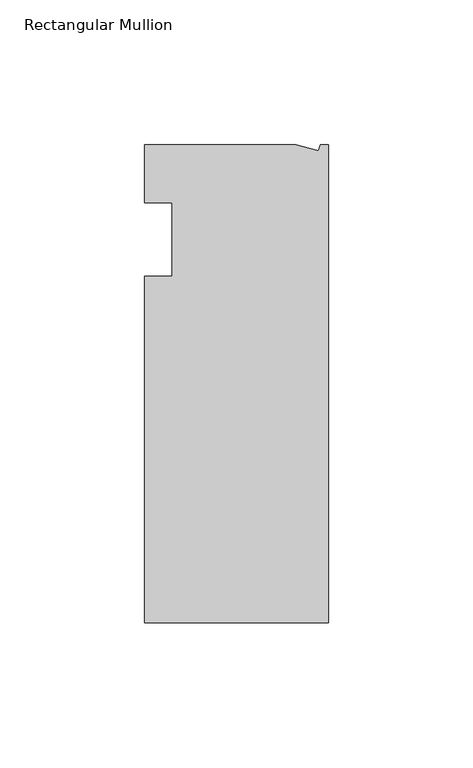
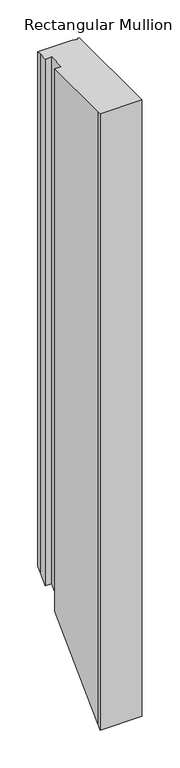
"""IFC4 building model written with IfcOpenShell, lengths in millimetres: member geometry, Rectangular Mullion."""

from ifc_helpers import new_model, si_unit, origin, place, context, project, spatial, faceted_brep, source, transform, mapped, element, save


def rectangular_mullion_3cd529ec(model_context):
    return source(origin(), model_context, "Body", "Brep", [
        faceted_brep([(0.0, -132.5561012, 0.0), (0.0, 32.5438988, 0.0), (-2.7616541, 32.5438988, 0.0), (-3.3341886, 30.4622958, 0.0), (-11.121847, 32.5438988, 0.0), (-63.5, 32.5438988, 0.0), (-63.5, 26.1938988, 0.0), (-63.5, 12.5945801, 0.0), (-53.975, 12.5945801, 0.0), (-53.975, -12.8054199, 0.0), (-63.5, -12.8054199, 0.0), (-63.5, -126.2061012, 0.0), (-63.5, -132.5561012, 0.0), (0.0, -132.5561012, -996.1561012), (0.0, 32.5438988, -831.0561012), (-2.7616541, 32.5438988, -831.0561012), (-3.3341886, 30.4622958, -833.1377042), (-11.121847, 32.5438988, -831.0561012), (-63.5, 32.5438988, -831.0561012), (-63.5, 26.1938988, -837.4061012), (-63.5, 12.5945801, -851.0054199), (-53.975, 12.5945801, -851.0054199), (-53.975, -12.8054199, -876.4054199), (-63.5, -12.8054199, -876.4054199), (-63.5, -126.2061012, -989.8061012), (-63.5, -132.5561012, -996.1561012)], [[[0, 1, 2, 3, 4, 5, 6, 7, 8, 9, 10, 11, 12]], [[1, 0, 13, 14]], [[2, 1, 14, 15]], [[3, 2, 15, 16]], [[4, 3, 16, 17]], [[5, 4, 17, 18]], [[6, 5, 18, 19]], [[7, 6, 19, 20]], [[8, 7, 20, 21]], [[9, 8, 21, 22]], [[10, 9, 22, 23]], [[11, 10, 23, 24]], [[12, 11, 24, 25]], [[0, 12, 25, 13]], [[13, 25, 24, 23, 22, 21, 20, 19, 18, 17, 16, 15, 14]]]),
    ])


if __name__ == "__main__":
    model = new_model("IFC4")
    model_context = context("Model", 3, world=origin())
    ifc_project = project(units=[si_unit("LENGTHUNIT", "METRE", prefix="MILLI")], contexts=[model_context])
    site = spatial("IfcSite", under=ifc_project)
    building = spatial("IfcBuilding", under=site)
    placement = place(None, origin())
    rectangular_mullion_shape = rectangular_mullion_3cd529ec(model_context)
    element("IfcMember", 1, ObjectType="Rectangular Mullion", at=placement, inside=building, context=model_context, shape_type="MappedRepresentation", body=[
        mapped(rectangular_mullion_shape, transform((0.0, 0.0, 0.0), x_axis=(1.0, 0.0, 0.0), y_axis=(0.0, 1.0, 0.0), z_axis=(0.0, 0.0, 1.0))),
    ])
    save(model, "model.ifc")
